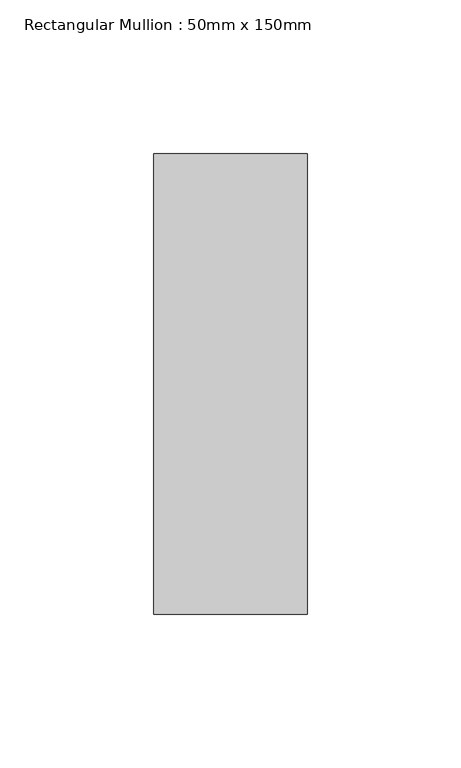
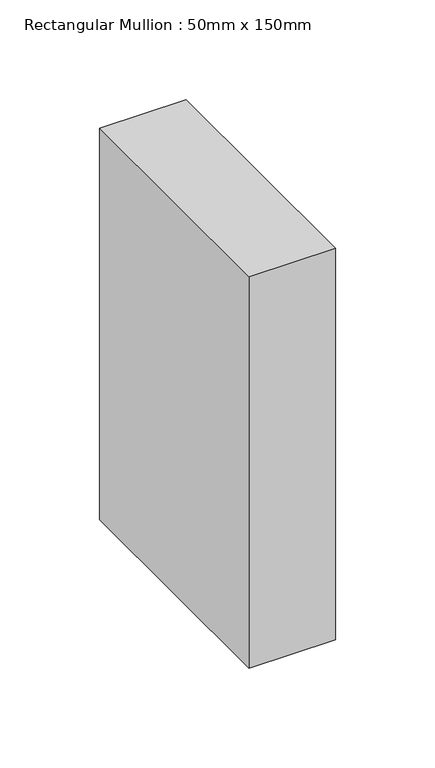
"""IFC4 building model written with IfcOpenShell, lengths in millimetres: member geometry, Rectangular Mullion : 50mm x 150mm."""

from ifc_helpers import new_model, si_unit, frame, origin, place, context, project, spatial, polyline, outline, extrude, source, transform, mapped, element, save


def rectangular_mullion_50mm_x_150mm_7682d247(model_context):
    return source(origin(), model_context, "Body", "SweptSolid", [
        extrude(outline(polyline([(25.0, 75.0), (25.0, -75.0), (-25.0, -75.0), (-25.0, 75.0), (25.0, 75.0)])), frame((0.0, 0.0, -239.6445799), z_axis=(0.0, 0.0, 1.0), x_axis=(1.0, 0.0, 0.0)), (0.0, 0.0, 1.0), 239.6445799),
    ])


if __name__ == "__main__":
    model = new_model("IFC4")
    model_context = context("Model", 3, world=origin())
    ifc_project = project(units=[si_unit("LENGTHUNIT", "METRE", prefix="MILLI")], contexts=[model_context])
    site = spatial("IfcSite", under=ifc_project)
    building = spatial("IfcBuilding", under=site)
    placement = place(None, origin())
    rectangular_mullion_50mm_x_150mm_shape = rectangular_mullion_50mm_x_150mm_7682d247(model_context)
    element("IfcMember", 1, ObjectType="Rectangular Mullion : 50mm x 150mm", at=placement, inside=building, context=model_context, shape_type="MappedRepresentation", body=[
        mapped(rectangular_mullion_50mm_x_150mm_shape, transform((0.0, 0.0, 0.0), x_axis=(1.0, 0.0, 0.0), y_axis=(0.0, 1.0, 0.0), z_axis=(0.0, 0.0, 1.0))),
    ])
    save(model, "model.ifc")
